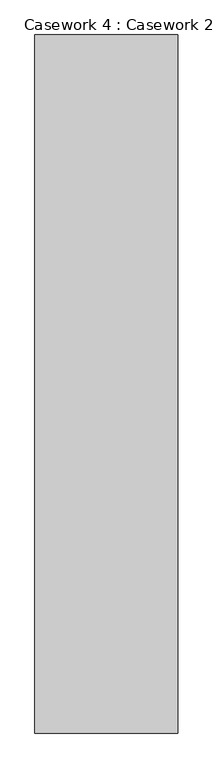
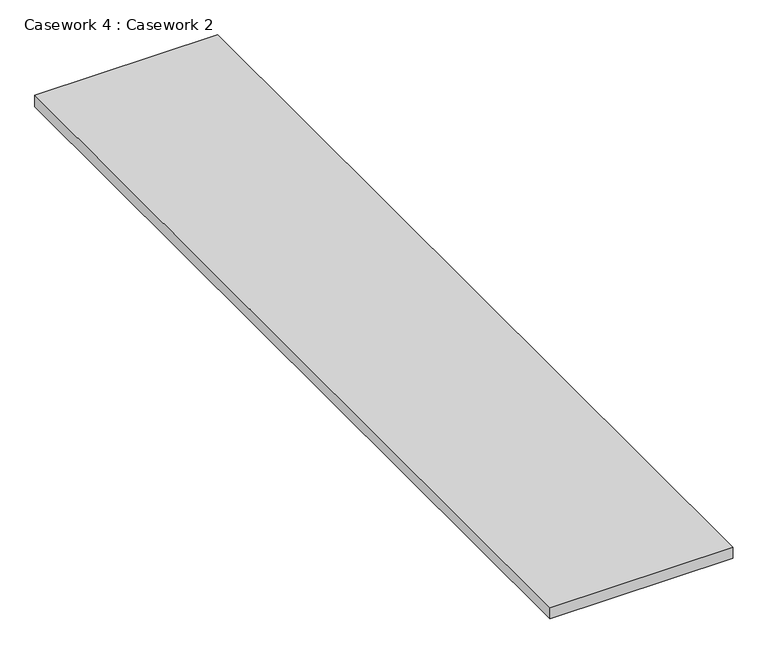
"""IFC4 building model written with IfcOpenShell, lengths in millimetres: furniture geometry, Casework 4 : Casework 2."""

import ifcopenshell
import ifcopenshell.guid

model = None  # the IFC model being written
_history = None  # IfcOwnerHistory: only IFC2X3 demands one
_inside = {}  # id of a spatial element -> (the spatial element, [elements in it])
_under = {}  # id of a project, library or spatial element -> (it, [spatial elements below it])
_declared = {}  # id of a project -> (the project, [libraries it declares])
_typed = {}  # id of a type object -> (the type object, [elements of that type])
_made_of = {}  # id of a material, layer set ... -> (it, [elements and type objects made of it])


def new_model(schema):
    """Start an empty IFC model of exactly this schema.

    Asked for "IFC4X3", IfcOpenShell would pick the latest addendum, in which some entities
    have other attributes; the version numbers below select the first issue.
    IFC2X3 requires an IfcOwnerHistory on every rooted entity: one is made here for all.
    """
    global model, _history
    if schema == "IFC4X3":
        model = ifcopenshell.file(schema_version=(4, 3, 0, 0))
    else:
        model = ifcopenshell.file(schema=schema)
    _inside.clear()
    _under.clear()
    _declared.clear()
    _typed.clear()
    _made_of.clear()
    _history = None
    if model.schema == "IFC2X3":
        org = make("IfcOrganization", Name="unknown")
        user = make(
            "IfcPersonAndOrganization",
            ThePerson=make("IfcPerson", FamilyName="unknown"),
            TheOrganization=org,
        )
        app = make(
            "IfcApplication",
            ApplicationDeveloper=org,
            Version="unknown",
            ApplicationFullName="unknown",
            ApplicationIdentifier="unknown",
        )
        _history = make(
            "IfcOwnerHistory",
            OwningUser=user,
            OwningApplication=app,
            ChangeAction="ADDED",
            CreationDate=0,
        )
    return model


def make(cls, **values):
    """One entity of the class cls with the attributes given. An attribute that is None is left unset."""
    return model.create_entity(
        cls, **{name: value for name, value in values.items() if value is not None}
    )


def rooted(cls, **values):
    """An entity with a GlobalId (a new one), such as an element, a storey or a relation."""
    return make(cls, GlobalId=ifcopenshell.guid.new(), OwnerHistory=_history, **values)


def si_unit(unit_type, name, prefix=None):
    """IfcSIUnit, for example si_unit("LENGTHUNIT", "METRE", prefix="MILLI")."""
    return make("IfcSIUnit", UnitType=unit_type, Prefix=prefix, Name=name)


def assignment(units):
    """IfcUnitAssignment: the units of a project."""
    return None if units is None else make("IfcUnitAssignment", Units=units)


def point(xyz):
    """IfcCartesianPoint."""
    return None if xyz is None else make("IfcCartesianPoint", Coordinates=xyz)


def direction(xyz):
    """IfcDirection."""
    return None if xyz is None else make("IfcDirection", DirectionRatios=xyz)


def frame(location, z_axis=None, x_axis=None):
    """IfcAxis2Placement3D, a coordinate frame: its origin and axes. An axis left out is left unset."""
    return make(
        "IfcAxis2Placement3D",
        Location=point(location),
        Axis=direction(z_axis),
        RefDirection=direction(x_axis),
    )


def origin():
    """The frame at (0, 0, 0) with its axes left unset."""
    return frame((0.0, 0.0, 0.0))


def place(relative_to, where):
    """IfcLocalPlacement: puts the frame where relative to a parent placement (None: the world)."""
    return make(
        "IfcLocalPlacement", PlacementRelTo=relative_to, RelativePlacement=where
    )


def context(
    kind, dimensions, precision=None, world=None, true_north=None, identifier=None
):
    """IfcGeometricRepresentationContext, for example the 3D "Model" context."""
    return make(
        "IfcGeometricRepresentationContext",
        ContextIdentifier=identifier,
        ContextType=kind,
        CoordinateSpaceDimension=dimensions,
        Precision=precision,
        WorldCoordinateSystem=world,
        TrueNorth=true_north,
    )


def project(units=None, contexts=None):
    """IfcProject with its units and contexts."""
    return rooted(
        "IfcProject",
        Name="project",
        RepresentationContexts=contexts,
        UnitsInContext=assignment(units),
    )


def spatial(cls, under=None, at=None, **own):
    """A site, building, storey or space (cls), placed at a placement, below another one or the project."""
    s = rooted(cls, ObjectPlacement=at, **own)
    if under is not None:
        _under.setdefault(under.id(), (under, []))[1].append(s)
    return s


def polyline(points):
    """IfcPolyline through the points."""
    return make("IfcPolyline", Points=[point(p) for p in points])


def outline(outer, holes=None, kind="AREA"):
    """IfcArbitraryClosedProfileDef: a profile drawn as a closed curve; with holes, ...WithVoids."""
    if holes is None:
        return make("IfcArbitraryClosedProfileDef", ProfileType=kind, OuterCurve=outer)
    return make(
        "IfcArbitraryProfileDefWithVoids",
        ProfileType=kind,
        OuterCurve=outer,
        InnerCurves=holes,
    )


def extrude(swept, where, along, depth):
    """IfcExtrudedAreaSolid: the profile swept, set in the frame where, extruded along a direction by depth."""
    return make(
        "IfcExtrudedAreaSolid",
        SweptArea=swept,
        Position=where,
        ExtrudedDirection=direction(along),
        Depth=depth,
    )


def shape(context_of_items, identifier, shape_type, items):
    """IfcShapeRepresentation: the items that make up one representation, for example the "Body"."""
    return make(
        "IfcShapeRepresentation",
        ContextOfItems=context_of_items,
        RepresentationIdentifier=identifier,
        RepresentationType=shape_type,
        Items=items,
    )


def source(mapping_origin, context_of_items, identifier, shape_type, items):
    """IfcRepresentationMap: a shape defined once, which mapped items show again and again."""
    return make(
        "IfcRepresentationMap",
        MappingOrigin=mapping_origin,
        MappedRepresentation=shape(context_of_items, identifier, shape_type, items),
    )


def transform(
    local_origin,
    x_axis=None,
    y_axis=None,
    z_axis=None,
    scale=None,
    scale2=None,
    scale3=None,
    uniform=True,
):
    """IfcCartesianTransformationOperator3D, or its non-uniform kind. x_axis, y_axis, z_axis: its Axis1, 2, 3."""
    if uniform:
        return make(
            "IfcCartesianTransformationOperator3D",
            Axis1=direction(x_axis),
            Axis2=direction(y_axis),
            LocalOrigin=point(local_origin),
            Scale=scale,
            Axis3=direction(z_axis),
        )
    return make(
        "IfcCartesianTransformationOperator3DnonUniform",
        Axis1=direction(x_axis),
        Axis2=direction(y_axis),
        LocalOrigin=point(local_origin),
        Scale=scale,
        Axis3=direction(z_axis),
        Scale2=scale2,
        Scale3=scale3,
    )


def mapped(mapping_source, mapping_target):
    """IfcMappedItem: shows the shape of a source again, moved by a transform."""
    return make(
        "IfcMappedItem", MappingSource=mapping_source, MappingTarget=mapping_target
    )


def made_of(thing, what):
    """Note that an element or type object is made of a material, layer set ...; save() writes the relation."""
    if what is not None:
        _made_of.setdefault(what.id(), (what, []))[1].append(thing)
    return thing


def element(
    cls,
    number,
    at=None,
    inside=None,
    cuts=None,
    type_object=None,
    material=None,
    context=None,
    identifier="Body",
    shape_type=None,
    held_by="IfcProductDefinitionShape",
    body=None,
    shapes=None,
    **own,
):
    """One element of the class cls, such as IfcWall. Its Tag is "e" and its number.

    at: its placement. inside: the storey or other place that contains it. cuts: it is an
    opening in that element (IfcRelVoidsElement). A single representation is given by context,
    identifier, shape_type and body (its items); several are given by shapes. held_by: the class
    of the entity that holds the representations. save() writes the other relations.
    """
    e = rooted(cls, Tag="e%d" % number, ObjectPlacement=at, **own)
    if body is not None:
        shapes = [shape(context, identifier, shape_type, body)]
    if shapes is not None:
        e.Representation = make(held_by, Representations=shapes)
    if inside is not None:
        _inside.setdefault(inside.id(), (inside, []))[1].append(e)
    if cuts is not None:
        rooted(
            "IfcRelVoidsElement", RelatingBuildingElement=cuts, RelatedOpeningElement=e
        )
    if type_object is not None:
        _typed.setdefault(type_object.id(), (type_object, []))[1].append(e)
    return made_of(e, material)


def aggregate(whole, parts):
    """IfcRelAggregates: a whole, such as a stair, and the parts it consists of."""
    return rooted("IfcRelAggregates", RelatingObject=whole, RelatedObjects=parts)


def save(model, path):
    """Write the relations noted so far, then the file.

    IfcRelAggregates (storeys below a building ...), IfcRelContainedInSpatialStructure (elements
    in a storey), IfcRelDefinesByType, IfcRelAssociatesMaterial and IfcRelDeclares: one each for
    every whole, place, type object, material and project.
    """
    for whole, parts in _under.values():
        aggregate(whole, parts)
    for where, things in _inside.values():
        rooted(
            "IfcRelContainedInSpatialStructure",
            RelatedElements=things,
            RelatingStructure=where,
        )
    for kind, things in _typed.values():
        rooted("IfcRelDefinesByType", RelatedObjects=things, RelatingType=kind)
    for what, things in _made_of.values():
        rooted("IfcRelAssociatesMaterial", RelatedObjects=things, RelatingMaterial=what)
    for by, libraries in _declared.values():
        rooted("IfcRelDeclares", RelatingContext=by, RelatedDefinitions=libraries)
    model.write(path)


def casework_4_casework_2_3767c5a5(model_context):
    return source(origin(), model_context, "Body", "SweptSolid", [
        extrude(outline(polyline([(-142844.2328661, -30606.8206097), (-143624.0328004, -30606.8206097), (-143624.0328004, -26793.4481329), (-142844.2328661, -26793.4481329), (-142844.2328661, -30606.8206097)])), frame((0.0, 0.0, 995.2155416), z_axis=(0.0, 0.0, 1.0), x_axis=(1.0, 0.0, 0.0)), (0.0, 0.0, 1.0), 51.1844584),
    ])


if __name__ == "__main__":
    model = new_model("IFC4")
    model_context = context("Model", 3, world=origin())
    ifc_project = project(units=[si_unit("LENGTHUNIT", "METRE", prefix="MILLI")], contexts=[model_context])
    site = spatial("IfcSite", under=ifc_project)
    building = spatial("IfcBuilding", under=site)
    placement = place(None, origin())
    casework_4_casework_2_shape = casework_4_casework_2_3767c5a5(model_context)
    element("IfcFurniture", 1, ObjectType="Casework 4 : Casework 2", at=placement, inside=building, context=model_context, shape_type="MappedRepresentation", body=[
        mapped(casework_4_casework_2_shape, transform((0.0, 0.0, 0.0), x_axis=(1.0, 0.0, 0.0), y_axis=(0.0, 1.0, 0.0), z_axis=(0.0, 0.0, 1.0))),
    ])
    save(model, "model.ifc")
